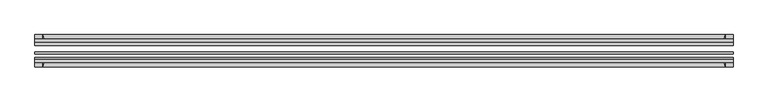
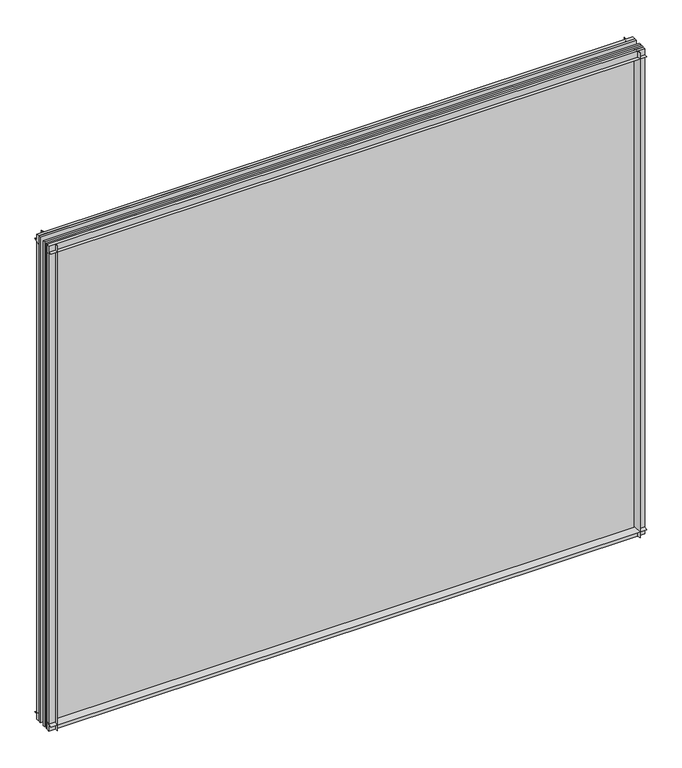
"""IFC4 building model written with IfcOpenShell, lengths in millimetres: plate geometry."""

from ifc_helpers import new_model, si_unit, point, frame, frame_2d, origin, place, context, project, spatial, polyline, circle_curve, trimmed, segment, composite_curve, outline, extrude, source, transform, mapped, element, save


def plate_018672e1(model_context):
    return source(origin(), model_context, "Body", "SweptSolid", [
        extrude(outline(composite_curve([segment(polyline([(-74.653775, 0.0), (-80.586498, 0.0)]), True, "CONTINUOUS"), segment(trimmed(circle_curve(frame_2d((-86.2543953, 32.273404)), 32.7673262), [point((-80.586498, 0.0))], [point((-69.878575, 3.8915405))], True, "CARTESIAN"), True, "CONTINUOUS"), segment(polyline([(-69.878575, 3.8915405), (-69.878575, -10.31875), (-74.653775, -10.31875), (-74.653775, 0.0)]), True, "CONTINUOUS")], self_intersect=False)), frame((-508.7794625, 0.0, 0.0), z_axis=(1.0, 0.0, 0.0), x_axis=(0.0, 1.0, 0.0)), (0.0, 0.0, 1.0), 1017.558925),
        extrude(outline(composite_curve([segment(polyline([(-44.478575, -10.31875), (-44.478575, 3.8915405)]), True, "CONTINUOUS"), segment(trimmed(circle_curve(frame_2d((-28.1027547, 32.273404)), 32.7673262), [point((-44.478575, 3.8915405))], [point((-33.770652, 0.0))], True, "CARTESIAN"), True, "CONTINUOUS"), segment(polyline([(-33.770652, 0.0), (-39.703375, 0.0), (-39.703375, -10.31875), (-44.478575, -10.31875)]), True, "CONTINUOUS")], self_intersect=False)), frame((-508.7794625, 0.0, 0.0), z_axis=(1.0, 0.0, 0.0), x_axis=(0.0, 1.0, 0.0)), (0.0, 0.0, 1.0), 1017.558925),
        extrude(outline(composite_curve([segment(trimmed(circle_curve(frame_2d((-86.2543953, 821.795246)), 32.7673262), [point((-69.878575, 850.1771095))], [point((-80.622775, 854.075))], True, "CARTESIAN"), True, "CONTINUOUS"), segment(polyline([(-80.622775, 854.075), (-74.653775, 854.075), (-74.653775, 865.1875), (-69.878575, 865.1875), (-69.878575, 850.1771095)]), True, "CONTINUOUS")], self_intersect=False)), frame((-508.7794625, 0.0, 0.0), z_axis=(1.0, 0.0, 0.0), x_axis=(0.0, 1.0, 0.0)), (0.0, 0.0, 1.0), 1017.558925),
        extrude(outline(composite_curve([segment(polyline([(-44.478575, 850.1771095), (-44.478575, 865.1875), (-39.703375, 865.1875), (-39.703375, 854.075), (-33.734375, 854.075)]), True, "CONTINUOUS"), segment(trimmed(circle_curve(frame_2d((-28.1027547, 821.795246)), 32.7673262), [point((-33.734375, 854.075))], [point((-44.478575, 850.1771095))], True, "CARTESIAN"), True, "CONTINUOUS")], self_intersect=False)), frame((-508.7794625, 0.0, 0.0), z_axis=(1.0, 0.0, 0.0), x_axis=(0.0, 1.0, 0.0)), (0.0, 0.0, 1.0), 1017.558925),
        extrude(outline(composite_curve([segment(polyline([(493.769072, -69.878575), (508.7794625, -69.878575), (508.7794625, -74.653775), (497.6669625, -74.653775), (497.6669625, -80.622775)]), True, "CONTINUOUS"), segment(trimmed(circle_curve(frame_2d((465.3872085, -86.2543953)), 32.7673262), [point((497.6669625, -80.622775))], [point((493.769072, -69.878575))], True, "CARTESIAN"), True, "CONTINUOUS")], self_intersect=False)), frame((0.0, 0.0, -10.31875), z_axis=(0.0, 0.0, 1.0), x_axis=(1.0, 0.0, 0.0)), (0.0, 0.0, 1.0), 875.50625),
        extrude(outline(composite_curve([segment(trimmed(circle_curve(frame_2d((465.3872085, -28.1027547)), 32.7673262), [point((493.769072, -44.478575))], [point((497.6669625, -33.734375))], True, "CARTESIAN"), True, "CONTINUOUS"), segment(polyline([(497.6669625, -33.734375), (497.6669625, -39.703375), (508.7794625, -39.703375), (508.7794625, -44.478575), (493.769072, -44.478575)]), True, "CONTINUOUS")], self_intersect=False)), frame((0.0, 0.0, -10.31875), z_axis=(0.0, 0.0, 1.0), x_axis=(1.0, 0.0, 0.0)), (0.0, 0.0, 1.0), 875.50625),
        extrude(outline(composite_curve([segment(trimmed(circle_curve(frame_2d((-465.3872085, -86.2543953)), 32.7673262), [point((-493.769072, -69.878575))], [point((-497.6669625, -80.622775))], True, "CARTESIAN"), True, "CONTINUOUS"), segment(polyline([(-497.6669625, -80.622775), (-497.6669625, -74.653775), (-508.7794625, -74.653775), (-508.7794625, -69.878575), (-493.769072, -69.878575)]), True, "CONTINUOUS")], self_intersect=False)), frame((0.0, 0.0, -10.31875), z_axis=(0.0, 0.0, 1.0), x_axis=(1.0, 0.0, 0.0)), (0.0, 0.0, 1.0), 875.50625),
        extrude(outline(composite_curve([segment(polyline([(-493.769072, -44.478575), (-508.7794625, -44.478575), (-508.7794625, -39.703375), (-497.6669625, -39.703375), (-497.6669625, -33.734375)]), True, "CONTINUOUS"), segment(trimmed(circle_curve(frame_2d((-465.3872085, -28.1027547)), 32.7673262), [point((-497.6669625, -33.734375))], [point((-493.769072, -44.478575))], True, "CARTESIAN"), True, "CONTINUOUS")], self_intersect=False)), frame((0.0, 0.0, -10.31875), z_axis=(0.0, 0.0, 1.0), x_axis=(1.0, 0.0, 0.0)), (0.0, 0.0, 1.0), 875.50625),
        extrude(outline(polyline([(-508.7794625, -44.478575), (508.7794625, -44.478575), (508.7794625, -49.241075), (-508.7794625, -49.241075), (-508.7794625, -44.478575)])), frame((0.0, 0.0, -10.31875), z_axis=(0.0, 0.0, 1.0), x_axis=(1.0, 0.0, 0.0)), (0.0, 0.0, 1.0), 875.50625),
        extrude(outline(polyline([(508.7794625, -58.956575), (508.7794625, -62.131575), (-508.7794625, -62.131575), (-508.7794625, -58.956575), (508.7794625, -58.956575)])), frame((0.0, 0.0, -10.31875), z_axis=(0.0, 0.0, 1.0), x_axis=(1.0, 0.0, 0.0)), (0.0, 0.0, 1.0), 875.50625),
        extrude(outline(polyline([(-508.7794625, -66.703575), (508.7794625, -66.703575), (508.7794625, -69.878575), (-508.7794625, -69.878575), (-508.7794625, -66.703575)])), frame((0.0, 0.0, -10.31875), z_axis=(0.0, 0.0, 1.0), x_axis=(1.0, 0.0, 0.0)), (0.0, 0.0, 1.0), 875.50625),
    ])


if __name__ == "__main__":
    model = new_model("IFC4")
    model_context = context("Model", 3, world=origin())
    ifc_project = project(units=[si_unit("LENGTHUNIT", "METRE", prefix="MILLI")], contexts=[model_context])
    site = spatial("IfcSite", under=ifc_project)
    building = spatial("IfcBuilding", under=site)
    placement = place(None, origin())
    plate_shape = plate_018672e1(model_context)
    element("IfcPlate", 1, at=placement, inside=building, context=model_context, shape_type="MappedRepresentation", body=[
        mapped(plate_shape, transform((0.0, 0.0, 0.0), x_axis=(1.0, 0.0, 0.0), y_axis=(0.0, 1.0, 0.0), z_axis=(0.0, 0.0, 1.0))),
    ])
    save(model, "model.ifc")
